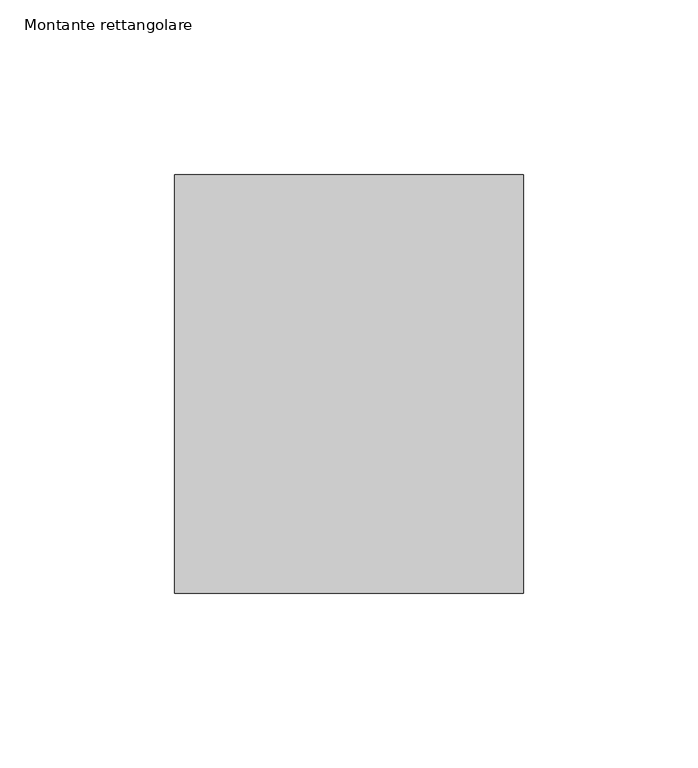
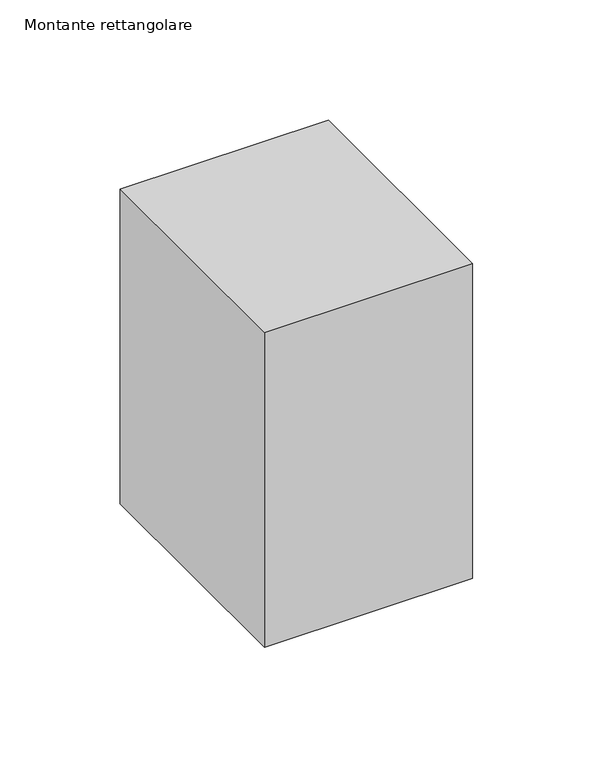
"""IFC4 building model written with IfcOpenShell, lengths in millimetres: member geometry, Montante rettangolare."""

from ifc_helpers import new_model, si_unit, frame, origin, place, context, project, spatial, polyline, outline, extrude, source, transform, mapped, element, save


def montante_rettangolare_d7181173(model_context):
    return source(origin(), model_context, "Body", "SweptSolid", [
        extrude(outline(polyline([(50.0, 60.0), (50.0, -60.0), (-50.0, -60.0), (-50.0, 60.0), (50.0, 60.0)])), frame((0.0, 0.0, -160.0), z_axis=(0.0, 0.0, 1.0), x_axis=(1.0, 0.0, 0.0)), (0.0, 0.0, 1.0), 160.0),
    ])


if __name__ == "__main__":
    model = new_model("IFC4")
    model_context = context("Model", 3, world=origin())
    ifc_project = project(units=[si_unit("LENGTHUNIT", "METRE", prefix="MILLI")], contexts=[model_context])
    site = spatial("IfcSite", under=ifc_project)
    building = spatial("IfcBuilding", under=site)
    placement = place(None, origin())
    montante_rettangolare_shape = montante_rettangolare_d7181173(model_context)
    element("IfcMember", 1, ObjectType="Montante rettangolare", at=placement, inside=building, context=model_context, shape_type="MappedRepresentation", body=[
        mapped(montante_rettangolare_shape, transform((0.0, 0.0, 0.0), x_axis=(1.0, 0.0, 0.0), y_axis=(0.0, 1.0, 0.0), z_axis=(0.0, 0.0, 1.0))),
    ])
    save(model, "model.ifc")
